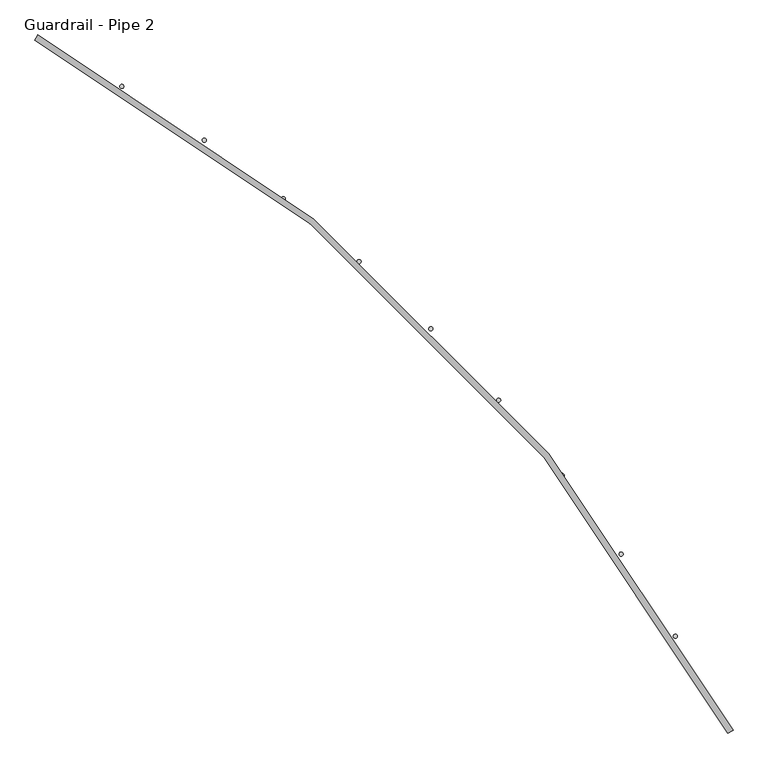
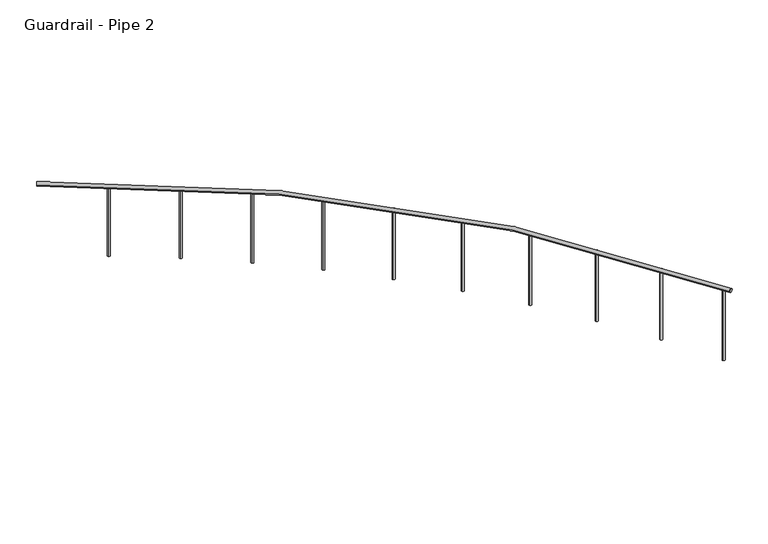
"""IFC4 building model written with IfcOpenShell, lengths in millimetres: railing geometry, Guardrail - Pipe 2."""

from ifc_helpers import new_model, si_unit, point, frame, frame_2d, origin, place, context, project, spatial, circle_curve, ellipse_curve, trimmed, segment, composite_curve, outline, extrude, source, transform, mapped, element, save
from ifc_brep_helpers import plane_surface, revolved_surface, advanced_brep


def guardrail_pipe_2_9bd17da6(model_context):
    return source(origin(), model_context, "Body", "SolidModel", [
        advanced_brep(
        [(572493.4695853, -255048.1844929, 5518.15), (568187.048997, -250741.7639047, 5518.15), (568169.1195853, -250775.3815518, 5518.15), (572459.8519382, -255066.1139047, 5518.15)],
        [
            (0, 1, circle_curve(frame((563265.4254676, -259969.8080223, 5518.15), z_axis=(0.0, 0.0, 1.0), x_axis=(0.47058823529371446, 0.8823529411766856, 0.0)), 10458.45)),
            (1, 2, circle_curve(frame((568178.0842911, -250758.5727282, 5518.15), z_axis=(0.8823529411766833, -0.47058823529371885, 0.0), x_axis=(0.47058823529371885, 0.8823529411766833, 0.0)), 19.05)),
            (2, 3, circle_curve(frame((563265.4254676, -259969.8080223, 5518.15), z_axis=(0.0, 0.0, -1.0), x_axis=(0.47058823529371446, 0.8823529411766856, 0.0)), 10420.35)),
            (3, 0, circle_curve(frame((572476.6607617, -255057.1491988, 5518.15), z_axis=(-0.4705882352937469, 0.8823529411766683, 0.0), x_axis=(0.8823529411766683, 0.4705882352937469, 0.0)), 19.05)),
            (2, 1, circle_curve(frame((568178.0842911, -250758.5727282, 5518.15), z_axis=(0.8823529411766841, -0.4705882352937174, 0.0), x_axis=(0.4705882352937174, 0.8823529411766841, 0.0)), 19.05)),
            (0, 3, circle_curve(frame((572476.6607617, -255057.1491988, 5518.15), z_axis=(-0.47058823529374705, 0.8823529411766682, 0.0), x_axis=(0.8823529411766682, 0.47058823529374705, 0.0)), 19.05)),
        ],
        [
            revolved_surface(trimmed(ellipse_curve(frame((568178.0842911, -250758.5727282, 5518.15), z_axis=(-0.8823529411766856, 0.47058823529371446, 0.0), x_axis=(0.47058823529371446, 0.8823529411766856, 0.0)), 19.05, 19.05), [point((568169.1195853, -250775.3815518, 5518.15))], [point((568187.048997, -250741.7639047, 5518.15))], True, "CARTESIAN"), (563265.4254676, -259969.8080223, 5537.2), (0.0, 0.0, -1.0)),
            revolved_surface(trimmed(ellipse_curve(frame((568178.0842911, -250758.5727282, 5518.15), z_axis=(-0.8823529411766856, 0.47058823529371446, 0.0), x_axis=(0.47058823529371446, 0.8823529411766856, 0.0)), 19.05, 19.05), [point((568187.048997, -250741.7639047, 5518.15))], [point((568169.1195853, -250775.3815518, 5518.15))], True, "CARTESIAN"), (563265.4254676, -259969.8080223, 5537.2), (0.0, 0.0, -1.0)),
            plane_surface(frame((568178.0842911, -250758.5727282, 5537.2), z_axis=(-0.8823529411766856, 0.47058823529371446, 0.0), x_axis=(0.47058823529371446, 0.8823529411766856, 0.0))),
            plane_surface(frame((572476.6607617, -255057.1491988, 5537.2), z_axis=(0.47058823529374844, -0.8823529411766675, 0.0), x_axis=(0.8823529411766675, 0.47058823529374844, 0.0))),
        ],
        [
            (0, [[1, 2, 3, 4]]),
            (1, [[-3, 5, -1, 6]]),
            (2, [[-2, -5]]),
            (3, [[-6, -4]]),
        ],
    ),
        extrude(outline(composite_curve([segment(trimmed(circle_curve(frame_2d((572442.3450203, -254993.3414161)), 12.7), [point((572431.1808846, -254999.3955117))], [point((572453.509156, -254987.2873204))], False, "CARTESIAN"), True, "CONTINUOUS"), segment(trimmed(circle_curve(frame_2d((572442.3450203, -254993.3414161)), 12.7), [point((572453.509156, -254987.2873204))], [point((572431.1808846, -254999.3955117))], False, "CARTESIAN"), True, "CONTINUOUS")], self_intersect=False)), frame((0.0, 0.0, 4775.2), z_axis=(0.0, 0.0, 1.0), x_axis=(1.0, 0.0, 0.0)), (0.0, 0.0, 1.0), 723.9),
        extrude(outline(composite_curve([segment(trimmed(circle_curve(frame_2d((572136.2719093, -254466.2495582)), 12.7), [point((572125.4801253, -254472.9448848))], [point((572147.0636932, -254459.5542316))], False, "CARTESIAN"), True, "CONTINUOUS"), segment(trimmed(circle_curve(frame_2d((572136.2719093, -254466.2495582)), 12.7), [point((572147.0636932, -254459.5542316))], [point((572125.4801253, -254472.9448848))], False, "CARTESIAN"), True, "CONTINUOUS")], self_intersect=False)), frame((0.0, 0.0, 4775.2), z_axis=(0.0, 0.0, 1.0), x_axis=(1.0, 0.0, 0.0)), (0.0, 0.0, 1.0), 723.9),
        extrude(outline(composite_curve([segment(trimmed(circle_curve(frame_2d((571799.9588885, -253957.9188311)), 12.7), [point((571789.5762444, -253965.2325649))], [point((571810.3415326, -253950.6050973))], False, "CARTESIAN"), True, "CONTINUOUS"), segment(trimmed(circle_curve(frame_2d((571799.9588885, -253957.9188311)), 12.7), [point((571810.3415326, -253950.6050973))], [point((571789.5762444, -253965.2325649))], False, "CARTESIAN"), True, "CONTINUOUS")], self_intersect=False)), frame((0.0, 0.0, 4775.2), z_axis=(0.0, 0.0, 1.0), x_axis=(1.0, 0.0, 0.0)), (0.0, 0.0, 1.0), 723.9),
        extrude(outline(composite_curve([segment(trimmed(circle_curve(frame_2d((571434.5524186, -253470.0820882)), 12.7), [point((571424.6143079, -253477.9892974))], [point((571444.4905292, -253462.174879))], False, "CARTESIAN"), True, "CONTINUOUS"), segment(trimmed(circle_curve(frame_2d((571434.5524186, -253470.0820882)), 12.7), [point((571444.4905292, -253462.174879))], [point((571424.6143079, -253477.9892974))], False, "CARTESIAN"), True, "CONTINUOUS")], self_intersect=False)), frame((0.0, 0.0, 4775.2), z_axis=(0.0, 0.0, 1.0), x_axis=(1.0, 0.0, 0.0)), (0.0, 0.0, 1.0), 723.9),
        extrude(outline(composite_curve([segment(trimmed(circle_curve(frame_2d((571041.2981369, -253004.4023206)), 12.7), [point((571031.8384378, -253012.8760501))], [point((571050.7578361, -252995.928591))], False, "CARTESIAN"), True, "CONTINUOUS"), segment(trimmed(circle_curve(frame_2d((571041.2981369, -253004.4023206)), 12.7), [point((571050.7578361, -252995.928591))], [point((571031.8384378, -253012.8760501))], False, "CARTESIAN"), True, "CONTINUOUS")], self_intersect=False)), frame((0.0, 0.0, 4775.2), z_axis=(0.0, 0.0, 1.0), x_axis=(1.0, 0.0, 0.0)), (0.0, 0.0, 1.0), 723.9),
        extrude(outline(composite_curve([segment(trimmed(circle_curve(frame_2d((570621.5366117, -252562.4669883)), 12.7), [point((570612.5875714, -252571.4783521))], [point((570630.4856521, -252553.4556245))], False, "CARTESIAN"), True, "CONTINUOUS"), segment(trimmed(circle_curve(frame_2d((570621.5366117, -252562.4669883)), 12.7), [point((570630.4856521, -252553.4556245))], [point((570612.5875714, -252571.4783521))], False, "CARTESIAN"), True, "CONTINUOUS")], self_intersect=False)), frame((0.0, 0.0, 4775.2), z_axis=(0.0, 0.0, 1.0), x_axis=(1.0, 0.0, 0.0)), (0.0, 0.0, 1.0), 723.9),
        extrude(outline(composite_curve([segment(trimmed(circle_curve(frame_2d((570176.6987719, -252145.7826087)), 12.7), [point((570168.2908968, -252155.3008878))], [point((570185.1066469, -252136.2643296))], False, "CARTESIAN"), True, "CONTINUOUS"), segment(trimmed(circle_curve(frame_2d((570176.6987719, -252145.7826087)), 12.7), [point((570185.1066469, -252136.2643296))], [point((570168.2908968, -252155.3008878))], False, "CARTESIAN"), True, "CONTINUOUS")], self_intersect=False)), frame((0.0, 0.0, 4775.2), z_axis=(0.0, 0.0, 1.0), x_axis=(1.0, 0.0, 0.0)), (0.0, 0.0, 1.0), 723.9),
        extrude(outline(composite_curve([segment(trimmed(circle_curve(frame_2d((569708.3010291, -251755.769621)), 12.7), [point((569700.462981, -251765.7623684))], [point((569716.1390772, -251745.7768735))], False, "CARTESIAN"), True, "CONTINUOUS"), segment(trimmed(circle_curve(frame_2d((569708.3010291, -251755.769621)), 12.7), [point((569716.1390772, -251745.7768735))], [point((569700.462981, -251765.7623684))], False, "CARTESIAN"), True, "CONTINUOUS")], self_intersect=False)), frame((0.0, 0.0, 4775.2), z_axis=(0.0, 0.0, 1.0), x_axis=(1.0, 0.0, 0.0)), (0.0, 0.0, 1.0), 723.9),
        extrude(outline(composite_curve([segment(trimmed(circle_curve(frame_2d((569217.9401088, -251393.757544)), 12.7), [point((569210.6986068, -251404.1906955))], [point((569225.1816108, -251383.3243926))], False, "CARTESIAN"), True, "CONTINUOUS"), segment(trimmed(circle_curve(frame_2d((569217.9401088, -251393.757544)), 12.7), [point((569225.1816108, -251383.3243926))], [point((569210.6986068, -251404.1906955))], False, "CARTESIAN"), True, "CONTINUOUS")], self_intersect=False)), frame((0.0, 0.0, 4775.2), z_axis=(0.0, 0.0, 1.0), x_axis=(1.0, 0.0, 0.0)), (0.0, 0.0, 1.0), 723.9),
        extrude(outline(composite_curve([segment(trimmed(circle_curve(frame_2d((568707.2876068, -251060.9804442)), 12.7), [point((568700.6673366, -251071.8184339))], [point((568713.9078771, -251050.1424544))], False, "CARTESIAN"), True, "CONTINUOUS"), segment(trimmed(circle_curve(frame_2d((568707.2876068, -251060.9804442)), 12.7), [point((568713.9078771, -251050.1424544))], [point((568700.6673366, -251071.8184339))], False, "CARTESIAN"), True, "CONTINUOUS")], self_intersect=False)), frame((0.0, 0.0, 4775.2), z_axis=(0.0, 0.0, 1.0), x_axis=(1.0, 0.0, 0.0)), (0.0, 0.0, 1.0), 723.9),
    ])


if __name__ == "__main__":
    model = new_model("IFC4")
    model_context = context("Model", 3, world=origin())
    ifc_project = project(units=[si_unit("LENGTHUNIT", "METRE", prefix="MILLI")], contexts=[model_context])
    site = spatial("IfcSite", under=ifc_project)
    building = spatial("IfcBuilding", under=site)
    placement = place(None, origin())
    guardrail_pipe_2_shape = guardrail_pipe_2_9bd17da6(model_context)
    element("IfcRailing", 1, ObjectType="Guardrail - Pipe 2", at=placement, inside=building, context=model_context, shape_type="MappedRepresentation", body=[
        mapped(guardrail_pipe_2_shape, transform((0.0, 0.0, 0.0), x_axis=(1.0, 0.0, 0.0), y_axis=(0.0, 1.0, 0.0), z_axis=(0.0, 0.0, 1.0))),
    ])
    save(model, "model.ifc")
